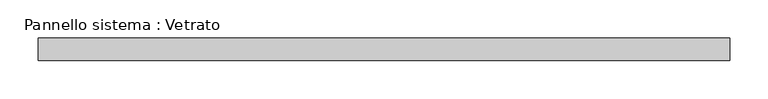
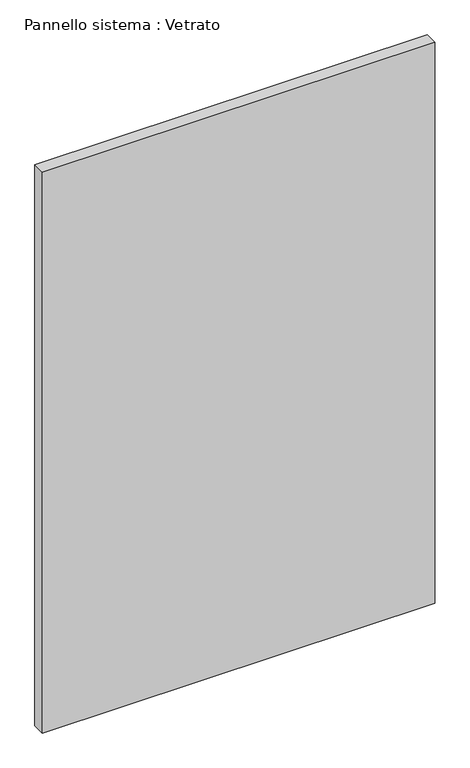
"""IFC4 building model written with IfcOpenShell, lengths in millimetres: plate geometry, Pannello sistema : Vetrato."""

from ifc_helpers import new_model, si_unit, origin, origin_with_axes, place, context, project, spatial, polyline, outline, extrude, source, transform, mapped, element, save


def pannello_sistema_vetrato_88bde646(model_context):
    return source(origin(), model_context, "Body", "SweptSolid", [
        extrude(outline(polyline([(455.0000002, -15.0), (-455.0000002, -15.0), (-455.0000002, 15.0), (455.0000002, 15.0), (455.0000002, -15.0)])), origin_with_axes(), (0.0, 0.0, 1.0), 1375.0),
    ])


if __name__ == "__main__":
    model = new_model("IFC4")
    model_context = context("Model", 3, world=origin())
    ifc_project = project(units=[si_unit("LENGTHUNIT", "METRE", prefix="MILLI")], contexts=[model_context])
    site = spatial("IfcSite", under=ifc_project)
    building = spatial("IfcBuilding", under=site)
    placement = place(None, origin())
    pannello_sistema_vetrato_shape = pannello_sistema_vetrato_88bde646(model_context)
    element("IfcPlate", 1, ObjectType="Pannello sistema : Vetrato", at=placement, inside=building, context=model_context, shape_type="MappedRepresentation", body=[
        mapped(pannello_sistema_vetrato_shape, transform((0.0, 0.0, 0.0), x_axis=(1.0, 0.0, 0.0), y_axis=(0.0, 1.0, 0.0), z_axis=(0.0, 0.0, 1.0))),
    ])
    save(model, "model.ifc")
